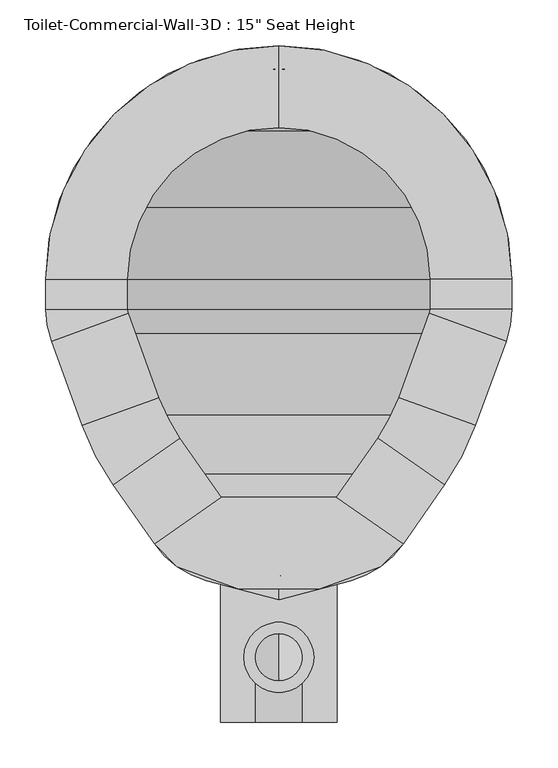
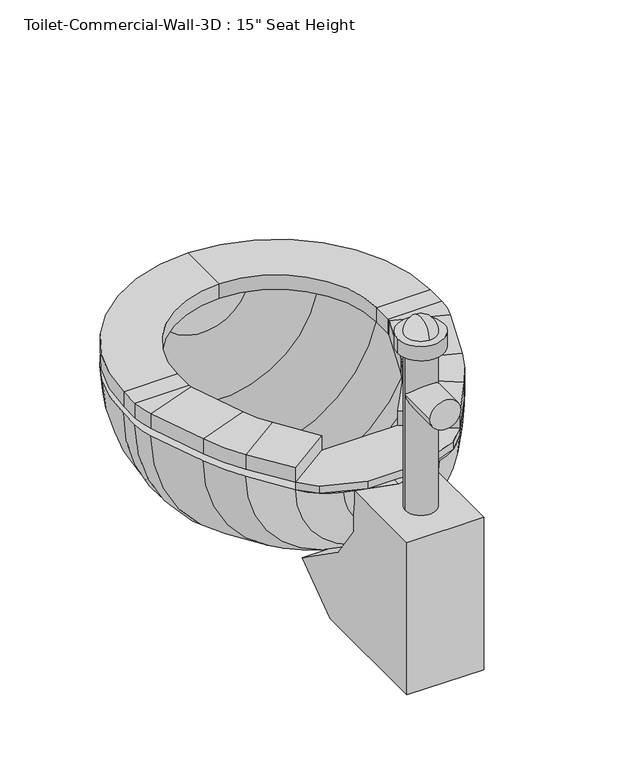
"""IFC4 building model written with IfcOpenShell, lengths in millimetres: flow terminal geometry."""

import ifcopenshell
import ifcopenshell.guid

model = None  # the IFC model being written
_history = None  # IfcOwnerHistory: only IFC2X3 demands one
_inside = {}  # id of a spatial element -> (the spatial element, [elements in it])
_under = {}  # id of a project, library or spatial element -> (it, [spatial elements below it])
_declared = {}  # id of a project -> (the project, [libraries it declares])
_typed = {}  # id of a type object -> (the type object, [elements of that type])
_made_of = {}  # id of a material, layer set ... -> (it, [elements and type objects made of it])


def new_model(schema):
    """Start an empty IFC model of exactly this schema.

    Asked for "IFC4X3", IfcOpenShell would pick the latest addendum, in which some entities
    have other attributes; the version numbers below select the first issue.
    IFC2X3 requires an IfcOwnerHistory on every rooted entity: one is made here for all.
    """
    global model, _history
    if schema == "IFC4X3":
        model = ifcopenshell.file(schema_version=(4, 3, 0, 0))
    else:
        model = ifcopenshell.file(schema=schema)
    _inside.clear()
    _under.clear()
    _declared.clear()
    _typed.clear()
    _made_of.clear()
    _history = None
    if model.schema == "IFC2X3":
        org = make("IfcOrganization", Name="unknown")
        user = make(
            "IfcPersonAndOrganization",
            ThePerson=make("IfcPerson", FamilyName="unknown"),
            TheOrganization=org,
        )
        app = make(
            "IfcApplication",
            ApplicationDeveloper=org,
            Version="unknown",
            ApplicationFullName="unknown",
            ApplicationIdentifier="unknown",
        )
        _history = make(
            "IfcOwnerHistory",
            OwningUser=user,
            OwningApplication=app,
            ChangeAction="ADDED",
            CreationDate=0,
        )
    return model


def make(cls, **values):
    """One entity of the class cls with the attributes given. An attribute that is None is left unset."""
    return model.create_entity(
        cls, **{name: value for name, value in values.items() if value is not None}
    )


def rooted(cls, **values):
    """An entity with a GlobalId (a new one), such as an element, a storey or a relation."""
    return make(cls, GlobalId=ifcopenshell.guid.new(), OwnerHistory=_history, **values)


def si_unit(unit_type, name, prefix=None):
    """IfcSIUnit, for example si_unit("LENGTHUNIT", "METRE", prefix="MILLI")."""
    return make("IfcSIUnit", UnitType=unit_type, Prefix=prefix, Name=name)


def assignment(units):
    """IfcUnitAssignment: the units of a project."""
    return None if units is None else make("IfcUnitAssignment", Units=units)


def point(xyz):
    """IfcCartesianPoint."""
    return None if xyz is None else make("IfcCartesianPoint", Coordinates=xyz)


def direction(xyz):
    """IfcDirection."""
    return None if xyz is None else make("IfcDirection", DirectionRatios=xyz)


def frame(location, z_axis=None, x_axis=None):
    """IfcAxis2Placement3D, a coordinate frame: its origin and axes. An axis left out is left unset."""
    return make(
        "IfcAxis2Placement3D",
        Location=point(location),
        Axis=direction(z_axis),
        RefDirection=direction(x_axis),
    )


def frame_2d(location, x_axis=None):
    """IfcAxis2Placement2D, a coordinate frame in the plane: its origin and x axis."""
    return make(
        "IfcAxis2Placement2D", Location=point(location), RefDirection=direction(x_axis)
    )


def origin():
    """The frame at (0, 0, 0) with its axes left unset."""
    return frame((0.0, 0.0, 0.0))


def place(relative_to, where):
    """IfcLocalPlacement: puts the frame where relative to a parent placement (None: the world)."""
    return make(
        "IfcLocalPlacement", PlacementRelTo=relative_to, RelativePlacement=where
    )


def context(
    kind, dimensions, precision=None, world=None, true_north=None, identifier=None
):
    """IfcGeometricRepresentationContext, for example the 3D "Model" context."""
    return make(
        "IfcGeometricRepresentationContext",
        ContextIdentifier=identifier,
        ContextType=kind,
        CoordinateSpaceDimension=dimensions,
        Precision=precision,
        WorldCoordinateSystem=world,
        TrueNorth=true_north,
    )


def project(units=None, contexts=None):
    """IfcProject with its units and contexts."""
    return rooted(
        "IfcProject",
        Name="project",
        RepresentationContexts=contexts,
        UnitsInContext=assignment(units),
    )


def spatial(cls, under=None, at=None, **own):
    """A site, building, storey or space (cls), placed at a placement, below another one or the project."""
    s = rooted(cls, ObjectPlacement=at, **own)
    if under is not None:
        _under.setdefault(under.id(), (under, []))[1].append(s)
    return s


def polyline(points):
    """IfcPolyline through the points."""
    return make("IfcPolyline", Points=[point(p) for p in points])


def circle_curve(where, radius):
    """IfcCircle in the frame where."""
    return make("IfcCircle", Position=where, Radius=radius)


def ellipse_curve(where, semi_axis1, semi_axis2):
    """IfcEllipse in the frame where."""
    return make(
        "IfcEllipse", Position=where, SemiAxis1=semi_axis1, SemiAxis2=semi_axis2
    )


def trimmed(basis, trim1, trim2, sense, master):
    """IfcTrimmedCurve: the piece of a basis curve between two trims."""
    return make(
        "IfcTrimmedCurve",
        BasisCurve=basis,
        Trim1=trim1,
        Trim2=trim2,
        SenseAgreement=sense,
        MasterRepresentation=master,
    )


def segment(curve, same_sense, transition):
    """IfcCompositeCurveSegment."""
    return make(
        "IfcCompositeCurveSegment",
        Transition=transition,
        SameSense=same_sense,
        ParentCurve=curve,
    )


def composite_curve(segments, self_intersect=None):
    """IfcCompositeCurve: segments joined end to end."""
    return make("IfcCompositeCurve", Segments=segments, SelfIntersect=self_intersect)


def outline(outer, holes=None, kind="AREA"):
    """IfcArbitraryClosedProfileDef: a profile drawn as a closed curve; with holes, ...WithVoids."""
    if holes is None:
        return make("IfcArbitraryClosedProfileDef", ProfileType=kind, OuterCurve=outer)
    return make(
        "IfcArbitraryProfileDefWithVoids",
        ProfileType=kind,
        OuterCurve=outer,
        InnerCurves=holes,
    )


def extrude(swept, where, along, depth):
    """IfcExtrudedAreaSolid: the profile swept, set in the frame where, extruded along a direction by depth."""
    return make(
        "IfcExtrudedAreaSolid",
        SweptArea=swept,
        Position=where,
        ExtrudedDirection=direction(along),
        Depth=depth,
    )


def shape(context_of_items, identifier, shape_type, items):
    """IfcShapeRepresentation: the items that make up one representation, for example the "Body"."""
    return make(
        "IfcShapeRepresentation",
        ContextOfItems=context_of_items,
        RepresentationIdentifier=identifier,
        RepresentationType=shape_type,
        Items=items,
    )


def source(mapping_origin, context_of_items, identifier, shape_type, items):
    """IfcRepresentationMap: a shape defined once, which mapped items show again and again."""
    return make(
        "IfcRepresentationMap",
        MappingOrigin=mapping_origin,
        MappedRepresentation=shape(context_of_items, identifier, shape_type, items),
    )


def transform(
    local_origin,
    x_axis=None,
    y_axis=None,
    z_axis=None,
    scale=None,
    scale2=None,
    scale3=None,
    uniform=True,
):
    """IfcCartesianTransformationOperator3D, or its non-uniform kind. x_axis, y_axis, z_axis: its Axis1, 2, 3."""
    if uniform:
        return make(
            "IfcCartesianTransformationOperator3D",
            Axis1=direction(x_axis),
            Axis2=direction(y_axis),
            LocalOrigin=point(local_origin),
            Scale=scale,
            Axis3=direction(z_axis),
        )
    return make(
        "IfcCartesianTransformationOperator3DnonUniform",
        Axis1=direction(x_axis),
        Axis2=direction(y_axis),
        LocalOrigin=point(local_origin),
        Scale=scale,
        Axis3=direction(z_axis),
        Scale2=scale2,
        Scale3=scale3,
    )


def mapped(mapping_source, mapping_target):
    """IfcMappedItem: shows the shape of a source again, moved by a transform."""
    return make(
        "IfcMappedItem", MappingSource=mapping_source, MappingTarget=mapping_target
    )


def made_of(thing, what):
    """Note that an element or type object is made of a material, layer set ...; save() writes the relation."""
    if what is not None:
        _made_of.setdefault(what.id(), (what, []))[1].append(thing)
    return thing


def element(
    cls,
    number,
    at=None,
    inside=None,
    cuts=None,
    type_object=None,
    material=None,
    context=None,
    identifier="Body",
    shape_type=None,
    held_by="IfcProductDefinitionShape",
    body=None,
    shapes=None,
    **own,
):
    """One element of the class cls, such as IfcWall. Its Tag is "e" and its number.

    at: its placement. inside: the storey or other place that contains it. cuts: it is an
    opening in that element (IfcRelVoidsElement). A single representation is given by context,
    identifier, shape_type and body (its items); several are given by shapes. held_by: the class
    of the entity that holds the representations. save() writes the other relations.
    """
    e = rooted(cls, Tag="e%d" % number, ObjectPlacement=at, **own)
    if body is not None:
        shapes = [shape(context, identifier, shape_type, body)]
    if shapes is not None:
        e.Representation = make(held_by, Representations=shapes)
    if inside is not None:
        _inside.setdefault(inside.id(), (inside, []))[1].append(e)
    if cuts is not None:
        rooted(
            "IfcRelVoidsElement", RelatingBuildingElement=cuts, RelatedOpeningElement=e
        )
    if type_object is not None:
        _typed.setdefault(type_object.id(), (type_object, []))[1].append(e)
    return made_of(e, material)


def aggregate(whole, parts):
    """IfcRelAggregates: a whole, such as a stair, and the parts it consists of."""
    return rooted("IfcRelAggregates", RelatingObject=whole, RelatedObjects=parts)


def save(model, path):
    """Write the relations noted so far, then the file.

    IfcRelAggregates (storeys below a building ...), IfcRelContainedInSpatialStructure (elements
    in a storey), IfcRelDefinesByType, IfcRelAssociatesMaterial and IfcRelDeclares: one each for
    every whole, place, type object, material and project.
    """
    for whole, parts in _under.values():
        aggregate(whole, parts)
    for where, things in _inside.values():
        rooted(
            "IfcRelContainedInSpatialStructure",
            RelatedElements=things,
            RelatingStructure=where,
        )
    for kind, things in _typed.values():
        rooted("IfcRelDefinesByType", RelatedObjects=things, RelatingType=kind)
    for what, things in _made_of.values():
        rooted("IfcRelAssociatesMaterial", RelatedObjects=things, RelatingMaterial=what)
    for by, libraries in _declared.values():
        rooted("IfcRelDeclares", RelatingContext=by, RelatedDefinitions=libraries)
    model.write(path)


def plane_surface(at):
    """IfcPlane: the flat surface through the origin of the frame at, square to its z axis."""
    return make("IfcPlane", Position=at)


def cylinder_surface(at, radius):
    """IfcCylindricalSurface: all points at the distance radius from the z axis of the frame at."""
    return make("IfcCylindricalSurface", Position=at, Radius=radius)


def revolved_surface(curve, axis_point, axis_direction):
    """IfcSurfaceOfRevolution: the curve turned about the line through axis_point along axis_direction."""
    return make(
        "IfcSurfaceOfRevolution",
        SweptCurve=make("IfcArbitraryOpenProfileDef", ProfileType="CURVE", Curve=curve),
        AxisPosition=make("IfcAxis1Placement", Location=point(axis_point), Axis=direction(axis_direction)),
    )


def advanced_brep(points, edges, surfaces, faces):
    """IfcAdvancedBrep: a solid bounded by faces that lie on surfaces and meet in shared edges.

    An edge is (start, end): straight between two places in points (the first is 0);
    or (start, end, curve); or (start, end, curve, False) where it runs against its curve.
    A face is (place in surfaces, loops), or (place, loops, False) where it looks against
    its surface's normal. A loop lists edges by number (the first is 1), with a minus sign
    where the edge is run from its end to its start. The first loop is the outer one.
    """
    corners = [point(p) for p in points]
    vertices = [make("IfcVertexPoint", VertexGeometry=c) for c in corners]
    made = []
    for start, end, *more in edges:
        made.append(
            make(
                "IfcEdgeCurve",
                EdgeStart=vertices[start],
                EdgeEnd=vertices[end],
                EdgeGeometry=more[0] if more else make("IfcPolyline", Points=[corners[start], corners[end]]),
                SameSense=more[1] if len(more) > 1 else True,
            )
        )
    hull = []
    for where, loops, *sense in faces:
        bounds = []
        for j, loop in enumerate(loops):
            ring = [make("IfcOrientedEdge", EdgeElement=made[abs(k) - 1], Orientation=k > 0) for k in loop]
            bounds.append(
                make(
                    "IfcFaceOuterBound" if j == 0 else "IfcFaceBound",
                    Bound=make("IfcEdgeLoop", EdgeList=ring),
                    Orientation=True,
                )
            )
        hull.append(make("IfcAdvancedFace", Bounds=bounds, FaceSurface=surfaces[where], SameSense=sense[0] if sense else True))
    return make("IfcAdvancedBrep", Outer=make("IfcClosedShell", CfsFaces=hull))


def flow_terminal_bd37145e(model_context):
    return source(origin(), model_context, "Body", "SolidModel", [
        extrude(outline(polyline([(467.7541169, 346.6347495), (540.5767337, 295.6438043), (515.6262519, 270.6933226), (449.563909, 246.6485961), (360.2423986, 246.6485961), (294.1800557, 270.6933226), (269.229574, 295.6438043), (342.0521907, 346.6347495), (467.7541169, 346.6347495)])), frame((0.0, 0.0, 342.9), z_axis=(0.0, 0.0, 1.0), x_axis=(1.0, 0.0, 0.0)), (0.0, 0.0, 1.0), 12.7),
        advanced_brep(
        [(467.7541169, 346.6347495, 355.6), (540.5767337, 295.6438043, 355.6), (540.5767337, 295.6438043, 381.0), (467.7541169, 346.6347495, 381.0), (512.8583992, 411.0503403, 355.6), (585.6810159, 360.0593951, 355.6), (585.6810159, 360.0593951, 381.0), (512.8583992, 411.0503403, 381.0), (619.360053, 424.7562234, 355.6), (535.821379, 455.1618141, 355.6), (619.360053, 424.7562234, 381.0), (535.821379, 455.1618141, 381.0), (569.2372501, 546.9711654, 355.6), (652.7759241, 516.5655747, 355.6), (652.7759241, 516.5655747, 381.0), (569.2372501, 546.9711654, 381.0), (658.9031538, 551.3148212, 355.6), (570.0031538, 551.3148212, 355.6), (658.9031538, 551.3148212, 381.0), (570.0031538, 551.3148212, 381.0), (570.0031538, 584.2, 355.6), (658.9031538, 584.2, 355.6), (658.9031538, 584.2, 381.0), (570.0031538, 584.2, 381.0), (404.9031538, 838.2, 355.6), (404.9031538, 749.3, 355.6), (404.9031538, 838.2, 381.0), (404.9031538, 749.3, 381.0), (150.9031538, 584.2, 355.6), (239.8031538, 584.2, 355.6), (150.9031538, 584.2, 381.0), (239.8031538, 584.2, 381.0), (239.8031538, 551.3148212, 355.6), (150.9031538, 551.3148212, 355.6), (150.9031538, 551.3148212, 381.0), (239.8031538, 551.3148212, 381.0), (157.0303835, 516.5655747, 355.6), (240.5690575, 546.9711654, 355.6), (157.0303835, 516.5655747, 381.0), (240.5690575, 546.9711654, 381.0), (273.9849286, 455.1618141, 355.6), (190.4462546, 424.7562234, 355.6), (190.4462546, 424.7562234, 381.0), (273.9849286, 455.1618141, 381.0), (224.1252917, 360.0593951, 355.6), (296.9479084, 411.0503403, 355.6), (224.1252917, 360.0593951, 381.0), (296.9479084, 411.0503403, 381.0), (342.0521907, 346.6347495, 355.6), (342.0521907, 346.6347495, 381.0), (269.229574, 295.6438043, 381.0), (269.229574, 295.6438043, 355.6)],
        [
            (0, 1),
            (1, 2),
            (2, 3),
            (3, 0),
            (0, 4),
            (4, 5),
            (5, 1),
            (5, 6),
            (6, 2),
            (6, 7),
            (7, 3),
            (7, 4),
            (8, 5, circle_curve(frame((356.8099347, 520.3166514, 355.6), z_axis=(0.0, 0.0, -1.0), x_axis=(0.81915204428899, -0.5735764363510486, 0.0)), 279.4)),
            (4, 9, circle_curve(frame((356.8099347, 520.3166514, 355.6), z_axis=(0.0, 0.0, 1.0), x_axis=(0.81915204428899, -0.5735764363510486, 0.0)), 190.5)),
            (9, 8),
            (10, 6, circle_curve(frame((356.8099347, 520.3166514, 381.0), z_axis=(0.0, 0.0, -1.0), x_axis=(0.81915204428899, -0.5735764363510486, 0.0)), 279.4)),
            (8, 10),
            (11, 7, circle_curve(frame((356.8099347, 520.3166514, 381.0), z_axis=(0.0, 0.0, -1.0), x_axis=(0.81915204428899, -0.5735764363510486, 0.0)), 190.5)),
            (10, 11),
            (11, 9),
            (9, 12),
            (12, 13),
            (13, 8),
            (13, 14),
            (14, 10),
            (14, 15),
            (15, 11),
            (15, 12),
            (16, 13, circle_curve(frame((557.3031538, 551.3148212, 355.6), z_axis=(0.0, 0.0, -1.0), x_axis=(0.939692620785906, -0.34202014332567526, 0.0)), 101.6)),
            (12, 17, circle_curve(frame((557.3031538, 551.3148212, 355.6), z_axis=(0.0, 0.0, 1.0), x_axis=(0.939692620785906, -0.34202014332567526, 0.0)), 12.7)),
            (17, 16),
            (18, 14, circle_curve(frame((557.3031538, 551.3148212, 381.0), z_axis=(0.0, 0.0, -1.0), x_axis=(0.939692620785906, -0.34202014332567526, 0.0)), 101.6)),
            (16, 18),
            (19, 15, circle_curve(frame((557.3031538, 551.3148212, 381.0), z_axis=(0.0, 0.0, -1.0), x_axis=(0.939692620785906, -0.34202014332567526, 0.0)), 12.7)),
            (18, 19),
            (19, 17),
            (17, 20),
            (20, 21),
            (21, 16),
            (21, 22),
            (22, 18),
            (22, 23),
            (23, 19),
            (23, 20),
            (24, 21, circle_curve(frame((404.9031538, 584.2, 355.6), z_axis=(0.0, 0.0, -1.0), x_axis=(1.0, 0.0, 0.0)), 254.0)),
            (20, 25, circle_curve(frame((404.9031538, 584.2, 355.6), z_axis=(0.0, 0.0, 1.0), x_axis=(1.0, 0.0, 0.0)), 165.1)),
            (25, 24),
            (26, 22, circle_curve(frame((404.9031538, 584.2, 381.0), z_axis=(0.0, 0.0, -1.0), x_axis=(1.0, 0.0, 0.0)), 254.0)),
            (24, 26),
            (27, 23, circle_curve(frame((404.9031538, 584.2, 381.0), z_axis=(0.0, 0.0, -1.0), x_axis=(1.0, 0.0, 0.0)), 165.1)),
            (26, 27),
            (27, 25),
            (28, 24, circle_curve(frame((404.9031538, 584.2, 355.6), z_axis=(0.0, 0.0, -1.0), x_axis=(0.0, 1.0, 0.0)), 254.0)),
            (25, 29, circle_curve(frame((404.9031538, 584.2, 355.6), z_axis=(0.0, 0.0, 1.0), x_axis=(0.0, 1.0, 0.0)), 165.1)),
            (29, 28),
            (30, 26, circle_curve(frame((404.9031538, 584.2, 381.0), z_axis=(0.0, 0.0, -1.0), x_axis=(0.0, 1.0, 0.0)), 254.0)),
            (28, 30),
            (31, 27, circle_curve(frame((404.9031538, 584.2, 381.0), z_axis=(0.0, 0.0, -1.0), x_axis=(0.0, 1.0, 0.0)), 165.1)),
            (30, 31),
            (31, 29),
            (29, 32),
            (32, 33),
            (33, 28),
            (33, 34),
            (34, 30),
            (34, 35),
            (35, 31),
            (35, 32),
            (36, 33, circle_curve(frame((252.5031538, 551.3148212, 355.6), z_axis=(0.0, 0.0, -1.0), x_axis=(-1.0, 0.0, 0.0)), 101.6)),
            (32, 37, circle_curve(frame((252.5031538, 551.3148212, 355.6), z_axis=(0.0, 0.0, 1.0), x_axis=(-1.0, 0.0, 0.0)), 12.7)),
            (37, 36),
            (38, 34, circle_curve(frame((252.5031538, 551.3148212, 381.0), z_axis=(0.0, 0.0, -1.0), x_axis=(-1.0, 0.0, 0.0)), 101.6)),
            (36, 38),
            (39, 35, circle_curve(frame((252.5031538, 551.3148212, 381.0), z_axis=(0.0, 0.0, -1.0), x_axis=(-1.0, 0.0, 0.0)), 12.7)),
            (38, 39),
            (39, 37),
            (37, 40),
            (40, 41),
            (41, 36),
            (41, 42),
            (42, 38),
            (42, 43),
            (43, 39),
            (43, 40),
            (44, 41, circle_curve(frame((452.9963729, 520.3166514, 355.6), z_axis=(0.0, 0.0, -1.0), x_axis=(-0.9396926207859088, -0.34202014332566766, 0.0)), 279.4)),
            (40, 45, circle_curve(frame((452.9963729, 520.3166514, 355.6), z_axis=(0.0, 0.0, 1.0), x_axis=(-0.9396926207859088, -0.34202014332566766, 0.0)), 190.5)),
            (45, 44),
            (46, 42, circle_curve(frame((452.9963729, 520.3166514, 381.0), z_axis=(0.0, 0.0, -1.0), x_axis=(-0.9396926207859088, -0.34202014332566766, 0.0)), 279.4)),
            (44, 46),
            (47, 43, circle_curve(frame((452.9963729, 520.3166514, 381.0), z_axis=(0.0, 0.0, -1.0), x_axis=(-0.9396926207859088, -0.34202014332566766, 0.0)), 190.5)),
            (46, 47),
            (47, 45),
            (48, 49),
            (49, 50),
            (50, 51),
            (51, 48),
            (45, 48),
            (51, 44),
            (50, 46),
            (49, 47),
        ],
        [
            plane_surface(frame((540.5767337, 295.6438043, 439.6203184), z_axis=(-0.5735764363510379, -0.8191520442889975, 0.0), x_axis=(0.8191520442889975, -0.5735764363510379, 0.0))),
            plane_surface(frame((467.7541169, 346.6347495, 355.6), z_axis=(0.0, 0.0, -1.0), x_axis=(0.5735764363510375, 0.8191520442889978, 0.0))),
            plane_surface(frame((540.5767337, 295.6438043, 355.6), z_axis=(0.8191520442889973, -0.5735764363510383, 0.0), x_axis=(0.5735764363510383, 0.8191520442889973, 0.0))),
            plane_surface(frame((540.5767337, 295.6438043, 381.0), z_axis=(0.0, 0.0, 1.0), x_axis=(0.573576436351038, 0.8191520442889975, 0.0))),
            plane_surface(frame((467.7541169, 346.6347495, 381.0), z_axis=(-0.8191520442889981, 0.5735764363510371, 0.0), x_axis=(0.5735764363510371, 0.8191520442889981, 0.0))),
            plane_surface(frame((356.8099347, 520.3166514, 355.6), z_axis=(0.0, 0.0, -1.0), x_axis=(0.81915204428899, -0.5735764363510486, 0.0))),
            cylinder_surface(frame((356.8099347, 520.3166514, 342.9), z_axis=(0.0, 0.0, 1.0), x_axis=(0.81915204428899, -0.5735764363510486, 0.0)), 279.4),
            plane_surface(frame((356.8099347, 520.3166514, 381.0), z_axis=(0.0, 0.0, 1.0), x_axis=(0.81915204428899, -0.5735764363510486, 0.0))),
            revolved_surface(polyline([(512.8583991370526, 411.0503402751252, 381.0), (512.8583991370526, 411.0503402751252, 355.6)]), (356.8099347, 520.3166514, 342.9), (0.0, 0.0, 1.0)),
            plane_surface(frame((535.821379, 455.1618141, 355.6), z_axis=(0.0, 0.0, -1.0), x_axis=(0.3420201433256632, 0.9396926207859104, 0.0))),
            plane_surface(frame((619.360053, 424.7562234, 355.6), z_axis=(0.9396926207859108, -0.34202014332566233, 0.0), x_axis=(0.34202014332566233, 0.9396926207859108, 0.0))),
            plane_surface(frame((619.360053, 424.7562234, 381.0), z_axis=(0.0, 0.0, 1.0), x_axis=(0.3420201433256635, 0.9396926207859103, 0.0))),
            plane_surface(frame((535.821379, 455.1618141, 381.0), z_axis=(-0.9396926207859103, 0.3420201433256636, 0.0), x_axis=(0.3420201433256636, 0.9396926207859103, 0.0))),
            plane_surface(frame((557.3031538, 551.3148212, 355.6), z_axis=(0.0, 0.0, -1.0), x_axis=(0.939692620785906, -0.34202014332567526, 0.0))),
            cylinder_surface(frame((557.3031538, 551.3148212, 342.9), z_axis=(0.0, 0.0, 1.0), x_axis=(0.939692620785906, -0.34202014332567526, 0.0)), 101.6),
            plane_surface(frame((557.3031538, 551.3148212, 381.0), z_axis=(0.0, 0.0, 1.0), x_axis=(0.939692620785906, -0.34202014332567526, 0.0))),
            revolved_surface(polyline([(569.237250083981, 546.9711653797639, 381.0), (569.237250083981, 546.9711653797639, 355.6)]), (557.3031538, 551.3148212, 342.9), (0.0, 0.0, 1.0)),
            plane_surface(frame((570.0031538, 551.3148212, 355.6), z_axis=(0.0, 0.0, -1.0), x_axis=(0.0, 1.0, 0.0))),
            plane_surface(frame((658.9031538, 551.3148212, 355.6), z_axis=(1.0, 0.0, 0.0), x_axis=(0.0, 1.0, 0.0))),
            plane_surface(frame((658.9031538, 551.3148212, 381.0), z_axis=(0.0, 0.0, 1.0), x_axis=(0.0, 1.0, 0.0))),
            plane_surface(frame((570.0031538, 551.3148212, 381.0), z_axis=(-1.0, 0.0, 0.0), x_axis=(0.0, 1.0, 0.0))),
            plane_surface(frame((404.9031538, 584.2, 355.6), z_axis=(0.0, 0.0, -1.0), x_axis=(1.0, 0.0, 0.0))),
            cylinder_surface(frame((404.9031538, 584.2, 342.9), z_axis=(0.0, 0.0, 1.0), x_axis=(1.0, 0.0, 0.0)), 254.0),
            plane_surface(frame((404.9031538, 584.2, 381.0), z_axis=(0.0, 0.0, 1.0), x_axis=(1.0, 0.0, 0.0))),
            revolved_surface(polyline([(570.0031538, 584.2, 381.0), (570.0031538, 584.2, 355.6)]), (404.9031538, 584.2, 342.9), (0.0, 0.0, 1.0)),
            plane_surface(frame((404.9031538, 584.2, 355.6), z_axis=(0.0, 0.0, -1.0), x_axis=(0.0, 1.0, 0.0))),
            cylinder_surface(frame((404.9031538, 584.2, 342.9), z_axis=(0.0, 0.0, 1.0), x_axis=(0.0, 1.0, 0.0)), 254.0),
            plane_surface(frame((404.9031538, 584.2, 381.0), z_axis=(0.0, 0.0, 1.0), x_axis=(0.0, 1.0, 0.0))),
            revolved_surface(polyline([(404.9031538, 749.3000000000001, 381.0), (404.9031538, 749.3000000000001, 355.6)]), (404.9031538, 584.2, 342.9), (0.0, 0.0, 1.0)),
            plane_surface(frame((239.8031538, 584.2, 355.6), z_axis=(0.0, 0.0, -1.0), x_axis=(0.0, -1.0, 0.0))),
            plane_surface(frame((150.9031538, 584.2, 355.6), z_axis=(-1.0, 0.0, 0.0), x_axis=(0.0, -1.0, 0.0))),
            plane_surface(frame((150.9031538, 584.2, 381.0), z_axis=(0.0, 0.0, 1.0), x_axis=(0.0, -1.0, 0.0))),
            plane_surface(frame((239.8031538, 584.2, 381.0), z_axis=(1.0, 0.0, 0.0), x_axis=(0.0, -1.0, 0.0))),
            plane_surface(frame((252.5031538, 551.3148212, 355.6), z_axis=(0.0, 0.0, -1.0), x_axis=(-1.0, 0.0, 0.0))),
            cylinder_surface(frame((252.5031538, 551.3148212, 342.9), z_axis=(0.0, 0.0, 1.0), x_axis=(-1.0, 0.0, 0.0)), 101.6),
            plane_surface(frame((252.5031538, 551.3148212, 381.0), z_axis=(0.0, 0.0, 1.0), x_axis=(-1.0, 0.0, 0.0))),
            revolved_surface(polyline([(239.80315380000002, 551.3148212, 381.0), (239.80315380000002, 551.3148212, 355.6)]), (252.5031538, 551.3148212, 342.9), (0.0, 0.0, 1.0)),
            plane_surface(frame((240.5690575, 546.9711654, 355.6), z_axis=(0.0, 0.0, -1.0), x_axis=(0.3420201433256559, -0.9396926207859131, 0.0))),
            plane_surface(frame((157.0303835, 516.5655747, 355.6), z_axis=(-0.9396926207859132, -0.34202014332565567, 0.0), x_axis=(0.34202014332565567, -0.9396926207859132, 0.0))),
            plane_surface(frame((157.0303835, 516.5655747, 381.0), z_axis=(0.0, 0.0, 1.0), x_axis=(0.34202014332565556, -0.9396926207859132, 0.0))),
            plane_surface(frame((240.5690575, 546.9711654, 381.0), z_axis=(0.9396926207859131, 0.34202014332565583, 0.0), x_axis=(0.34202014332565583, -0.9396926207859131, 0.0))),
            plane_surface(frame((452.9963729, 520.3166514, 355.6), z_axis=(0.0, 0.0, -1.0), x_axis=(-0.9396926207859088, -0.34202014332566766, 0.0))),
            cylinder_surface(frame((452.9963729, 520.3166514, 342.9), z_axis=(0.0, 0.0, 1.0), x_axis=(-0.9396926207859088, -0.34202014332566766, 0.0)), 279.4),
            plane_surface(frame((452.9963729, 520.3166514, 381.0), z_axis=(0.0, 0.0, 1.0), x_axis=(-0.9396926207859088, -0.34202014332566766, 0.0))),
            revolved_surface(polyline([(273.98492864028435, 455.16181409646026, 381.0), (273.98492864028435, 455.16181409646026, 355.6)]), (452.9963729, 520.3166514, 342.9), (0.0, 0.0, 1.0)),
            plane_surface(frame((269.229574, 295.6438043, 246.1796816), z_axis=(0.5735764363510504, -0.8191520442889889, 0.0), x_axis=(0.8191520442889889, 0.5735764363510504, 0.0))),
            plane_surface(frame((296.9479084, 411.0503403, 355.6), z_axis=(0.0, 0.0, -1.0000000000000002), x_axis=(0.5735764363510502, -0.819152044288989, 0.0))),
            plane_surface(frame((224.1252917, 360.0593951, 355.6), z_axis=(-0.819152044288989, -0.5735764363510502, 0.0), x_axis=(0.5735764363510502, -0.819152044288989, 0.0))),
            plane_surface(frame((224.1252917, 360.0593951, 381.0), z_axis=(0.0, 0.0, 1.0), x_axis=(0.5735764363510496, -0.8191520442889894, 0.0))),
            plane_surface(frame((296.9479084, 411.0503403, 381.0), z_axis=(0.8191520442889881, 0.5735764363510514, 0.0), x_axis=(0.5735764363510514, -0.8191520442889881, 0.0))),
        ],
        [
            (0, [[1, 2, 3, 4]]),
            (1, [[-1, 5, 6, 7]]),
            (2, [[-2, -7, 8, 9]]),
            (3, [[-3, -9, 10, 11]]),
            (4, [[-4, -11, 12, -5]]),
            (5, [[13, -6, 14, 15]]),
            (6, [[16, -8, -13, 17]]),
            (7, [[18, -10, -16, 19]]),
            (8, [[-14, -12, -18, 20]]),
            (9, [[-15, 21, 22, 23]]),
            (10, [[-17, -23, 24, 25]]),
            (11, [[-19, -25, 26, 27]]),
            (12, [[-20, -27, 28, -21]]),
            (13, [[29, -22, 30, 31]]),
            (14, [[32, -24, -29, 33]]),
            (15, [[34, -26, -32, 35]]),
            (16, [[-30, -28, -34, 36]]),
            (17, [[-31, 37, 38, 39]]),
            (18, [[-33, -39, 40, 41]]),
            (19, [[-35, -41, 42, 43]]),
            (20, [[-36, -43, 44, -37]]),
            (21, [[45, -38, 46, 47]]),
            (22, [[48, -40, -45, 49]]),
            (23, [[50, -42, -48, 51]]),
            (24, [[-46, -44, -50, 52]]),
            (25, [[53, -47, 54, 55]]),
            (26, [[56, -49, -53, 57]]),
            (27, [[58, -51, -56, 59]]),
            (28, [[-54, -52, -58, 60]]),
            (29, [[-55, 61, 62, 63]]),
            (30, [[-57, -63, 64, 65]]),
            (31, [[-59, -65, 66, 67]]),
            (32, [[-60, -67, 68, -61]]),
            (33, [[69, -62, 70, 71]]),
            (34, [[72, -64, -69, 73]]),
            (35, [[74, -66, -72, 75]]),
            (36, [[-70, -68, -74, 76]]),
            (37, [[-71, 77, 78, 79]]),
            (38, [[-73, -79, 80, 81]]),
            (39, [[-75, -81, 82, 83]]),
            (40, [[-76, -83, 84, -77]]),
            (41, [[85, -78, 86, 87]]),
            (42, [[88, -80, -85, 89]]),
            (43, [[90, -82, -88, 91]]),
            (44, [[-86, -84, -90, 92]]),
            (45, [[93, 94, 95, 96]]),
            (46, [[-87, 97, -96, 98]]),
            (47, [[-89, -98, -95, 99]]),
            (48, [[-91, -99, -94, 100]]),
            (49, [[-92, -100, -93, -97]]),
        ],
    ),
        advanced_brep(
        [(491.7762702, 822.8819257, 342.9), (404.9031538, 838.2, 342.9), (404.9031538, 812.8, 342.9), (483.0889586, 799.0137331, 342.9), (566.547764, 745.8446102, 342.9), (619.7168869, 662.3858048, 342.9), (633.5031538, 584.2, 342.9), (633.5031538, 551.3148212, 342.9), (628.9077315, 525.2528863, 342.9), (596.6355667, 436.5858422, 342.9), (562.9565296, 371.8890139, 342.9), (525.0728964, 317.7855786, 342.9), (468.1430637, 277.9228806, 342.9), (404.9031538, 260.9777978, 342.9), (404.9031538, 234.6817829, 342.9), (483.6469009, 255.7811063, 342.9), (540.5767337, 295.6438043, 342.9), (585.6810159, 360.0593951, 342.9), (619.360053, 424.7562234, 342.9), (652.7759241, 516.5655747, 342.9), (658.9031538, 551.3148212, 342.9), (658.9031538, 584.2, 342.9), (643.5850795, 671.0731164, 342.9), (584.5082762, 763.8051224, 342.9), (318.0300374, 822.8819257, 342.9), (225.2980314, 763.8051224, 342.9), (166.2212281, 671.0731164, 342.9), (150.9031538, 584.2, 342.9), (150.9031538, 551.3148212, 342.9), (157.0303835, 516.5655747, 342.9), (190.4462546, 424.7562234, 342.9), (224.1252917, 360.0593951, 342.9), (269.229574, 295.6438043, 342.9), (326.1594067, 255.7811063, 342.9), (341.663244, 277.9228806, 342.9), (284.7334112, 317.7855786, 342.9), (246.849778, 371.8890139, 342.9), (213.1707409, 436.5858422, 342.9), (180.8985761, 525.2528863, 342.9), (176.3031538, 551.3148212, 342.9), (176.3031538, 584.2, 342.9), (190.0894207, 662.3858048, 342.9), (243.2585436, 745.8446102, 342.9), (326.7173491, 799.0137331, 342.9)],
        [
            (0, 1, circle_curve(frame((404.9031538, 584.2, 342.9), z_axis=(0.0, 0.0, 1.0), x_axis=(1.0, 0.0, 0.0)), 254.0)),
            (1, 2),
            (2, 3, circle_curve(frame((404.9031538, 584.2, 342.9), z_axis=(0.0, 0.0, -1.0), x_axis=(1.0, 0.0, 0.0)), 228.6)),
            (3, 4, circle_curve(frame((404.9031538, 584.2, 342.9), z_axis=(0.0, 0.0, -1.0), x_axis=(1.0, 0.0, 0.0)), 228.6)),
            (4, 5, circle_curve(frame((404.9031538, 584.2, 342.9), z_axis=(0.0, 0.0, -1.0), x_axis=(1.0, 0.0, 0.0)), 228.6)),
            (5, 6, circle_curve(frame((404.9031538, 584.2, 342.9), z_axis=(0.0, 0.0, -1.0), x_axis=(1.0, 0.0, 0.0)), 228.6)),
            (6, 7),
            (7, 8, circle_curve(frame((557.3031538, 551.3148212, 342.9), z_axis=(0.0, 0.0, -1.0), x_axis=(1.0, 0.0, 0.0)), 76.2)),
            (8, 9),
            (9, 10, circle_curve(frame((334.0854485, 532.1462703, 342.9), z_axis=(0.0, 0.0, -1.0), x_axis=(1.0, 0.0, 0.0)), 279.4)),
            (10, 11),
            (11, 12, circle_curve(frame((441.8470487, 376.0609446, 342.9), z_axis=(0.0, 0.0, -1.0), x_axis=(1.0, 0.0, 0.0)), 101.6)),
            (12, 13),
            (13, 14),
            (14, 15),
            (15, 16, circle_curve(frame((457.350886, 353.9191703, 342.9), z_axis=(0.0, 0.0, 1.0), x_axis=(1.0, 0.0, 0.0)), 101.6)),
            (16, 17),
            (17, 18, circle_curve(frame((356.8099347, 520.3166514, 342.9), z_axis=(0.0, 0.0, 1.0), x_axis=(1.0, 0.0, 0.0)), 279.4)),
            (18, 19),
            (19, 20, circle_curve(frame((557.3031538, 551.3148212, 342.9), z_axis=(0.0, 0.0, 1.0), x_axis=(1.0, 0.0, 0.0)), 101.6)),
            (20, 21),
            (21, 22, circle_curve(frame((404.9031538, 584.2, 342.9), z_axis=(0.0, 0.0, 1.0), x_axis=(1.0, 0.0, 0.0)), 254.0)),
            (22, 23, circle_curve(frame((404.9031538, 584.2, 342.9), z_axis=(0.0, 0.0, 1.0), x_axis=(1.0, 0.0, 0.0)), 254.0)),
            (23, 0, circle_curve(frame((404.9031538, 584.2, 342.9), z_axis=(0.0, 0.0, 1.0), x_axis=(1.0, 0.0, 0.0)), 254.0)),
            (24, 25, circle_curve(frame((404.9031538, 584.2, 342.9), z_axis=(0.0, 0.0, 1.0), x_axis=(-1.0, 0.0, 0.0)), 254.0)),
            (25, 26, circle_curve(frame((404.9031538, 584.2, 342.9), z_axis=(0.0, 0.0, 1.0), x_axis=(-1.0, 0.0, 0.0)), 254.0)),
            (26, 27, circle_curve(frame((404.9031538, 584.2, 342.9), z_axis=(0.0, 0.0, 1.0), x_axis=(-1.0, 0.0, 0.0)), 254.0)),
            (27, 28),
            (28, 29, circle_curve(frame((252.5031538, 551.3148212, 342.9), z_axis=(0.0, 0.0, 1.0), x_axis=(-1.0, 0.0, 0.0)), 101.6)),
            (29, 30),
            (30, 31, circle_curve(frame((452.9963729, 520.3166514, 342.9), z_axis=(0.0, 0.0, 1.0), x_axis=(-1.0, 0.0, 0.0)), 279.4)),
            (31, 32),
            (32, 33, circle_curve(frame((352.4554217, 353.9191703, 342.9), z_axis=(0.0, 0.0, 1.0), x_axis=(-1.0, 0.0, 0.0)), 101.6)),
            (33, 14),
            (13, 34),
            (34, 35, circle_curve(frame((367.9592589, 376.0609446, 342.9), z_axis=(0.0, 0.0, -1.0), x_axis=(-1.0, 0.0, 0.0)), 101.6)),
            (35, 36),
            (36, 37, circle_curve(frame((475.7208592, 532.1462703, 342.9), z_axis=(0.0, 0.0, -1.0), x_axis=(-1.0, 0.0, 0.0)), 279.4)),
            (37, 38),
            (38, 39, circle_curve(frame((252.5031538, 551.3148212, 342.9), z_axis=(0.0, 0.0, -1.0), x_axis=(-1.0, 0.0, 0.0)), 76.2)),
            (39, 40),
            (40, 41, circle_curve(frame((404.9031538, 584.2, 342.9), z_axis=(0.0, 0.0, -1.0), x_axis=(-1.0, 0.0, 0.0)), 228.6)),
            (41, 42, circle_curve(frame((404.9031538, 584.2, 342.9), z_axis=(0.0, 0.0, -1.0), x_axis=(-1.0, 0.0, 0.0)), 228.6)),
            (42, 43, circle_curve(frame((404.9031538, 584.2, 342.9), z_axis=(0.0, 0.0, -1.0), x_axis=(-1.0, 0.0, 0.0)), 228.6)),
            (43, 2, circle_curve(frame((404.9031538, 584.2, 342.9), z_axis=(0.0, 0.0, -1.0), x_axis=(-1.0, 0.0, 0.0)), 228.6)),
            (1, 24, circle_curve(frame((404.9031538, 584.2, 342.9), z_axis=(0.0, 0.0, 1.0), x_axis=(-1.0, 0.0, 0.0)), 254.0)),
            (0, 24, circle_curve(frame((404.9031538, 822.8819257, 342.9), z_axis=(0.0, 1.0, 0.0), x_axis=(1.0, 0.0, 0.0)), 86.8731164)),
            (43, 3, circle_curve(frame((404.9031538, 799.0137331, 342.9), z_axis=(0.0, -1.0, 0.0), x_axis=(1.0, 0.0, 0.0)), 78.1858048)),
            (42, 4, circle_curve(frame((404.9031538, 745.8446102, 342.9), z_axis=(0.0, -1.0, 0.0), x_axis=(1.0, 0.0, 0.0)), 161.6446102)),
            (41, 5, circle_curve(frame((404.9031538, 662.3858048, 342.9), z_axis=(0.0, -1.0, 0.0), x_axis=(1.0, 0.0, 0.0)), 214.8137331)),
            (40, 6, circle_curve(frame((404.9031538, 584.2, 342.9), z_axis=(0.0, -1.0, 0.0), x_axis=(1.0, 0.0, 0.0)), 228.6)),
            (39, 7, circle_curve(frame((404.9031538, 551.3148212, 342.9), z_axis=(0.0, -1.0, 0.0), x_axis=(1.0, 0.0, 0.0)), 228.6)),
            (38, 8, circle_curve(frame((404.9031538, 525.2528863, 342.9), z_axis=(0.0, -1.0, 0.0), x_axis=(1.0, 0.0, 0.0)), 224.0045777)),
            (37, 9, circle_curve(frame((404.9031538, 436.5858422, 342.9), z_axis=(0.0, -1.0, 0.0), x_axis=(1.0, 0.0, 0.0)), 191.7324129)),
            (36, 10, circle_curve(frame((404.9031538, 371.8890139, 342.9), z_axis=(0.0, -1.0, 0.0), x_axis=(1.0, 0.0, 0.0)), 158.0533758)),
            (35, 11, circle_curve(frame((404.9031538, 317.7855786, 342.9), z_axis=(0.0, -1.0, 0.0), x_axis=(1.0, 0.0, 0.0)), 120.1697426)),
            (34, 12, circle_curve(frame((404.9031538, 277.9228806, 342.9), z_axis=(0.0, -1.0, 0.0), x_axis=(1.0, 0.0, 0.0)), 63.2399099)),
            (33, 15, circle_curve(frame((404.9031538, 255.7811063, 342.9), z_axis=(0.0, -1.0, 0.0), x_axis=(1.0, 0.0, 0.0)), 78.7437471)),
            (32, 16, circle_curve(frame((404.9031538, 295.6438043, 342.9), z_axis=(0.0, -1.0, 0.0), x_axis=(1.0, 0.0, 0.0)), 135.6735798)),
            (31, 17, circle_curve(frame((404.9031538, 360.0593951, 342.9), z_axis=(0.0, -1.0, 0.0), x_axis=(1.0, 0.0, 0.0)), 180.7778621)),
            (30, 18, circle_curve(frame((404.9031538, 424.7562234, 342.9), z_axis=(0.0, -1.0, 0.0), x_axis=(1.0, 0.0, 0.0)), 214.4568992)),
            (29, 19, circle_curve(frame((404.9031538, 516.5655747, 342.9), z_axis=(0.0, -1.0, 0.0), x_axis=(1.0, 0.0, 0.0)), 247.8727703)),
            (28, 20, circle_curve(frame((404.9031538, 551.3148212, 342.9), z_axis=(0.0, -1.0, 0.0), x_axis=(1.0, 0.0, 0.0)), 254.0)),
            (27, 21, circle_curve(frame((404.9031538, 584.2, 342.9), z_axis=(0.0, -1.0, 0.0), x_axis=(1.0, 0.0, 0.0)), 254.0)),
            (26, 22, circle_curve(frame((404.9031538, 671.0731164, 342.9), z_axis=(0.0, -1.0, 0.0), x_axis=(1.0, 0.0, 0.0)), 238.6819257)),
            (25, 23, circle_curve(frame((404.9031538, 763.8051224, 342.9), z_axis=(0.0, -1.0, 0.0), x_axis=(1.0, 0.0, 0.0)), 179.6051224)),
        ],
        [
            plane_surface(frame((404.9031538, 943.4102448, 342.9), z_axis=(0.0, 0.0, 1.0), x_axis=(1.0, 0.0, 0.0))),
            plane_surface(frame((404.9031538, 943.4102448, 342.9), z_axis=(0.0, 0.0, 1.0), x_axis=(-1.0, 0.0, 0.0))),
            revolved_surface(trimmed(ellipse_curve(frame((404.9031538, 584.2, 342.9), z_axis=(0.0, 0.0, 1.0), x_axis=(1.0, 0.0, 0.0)), 254.0, 254.0), [point((491.7762702, 822.8819257, 342.9))], [point((404.9031538, 838.2, 342.9))], True, "CARTESIAN"), (404.9031538, 943.4102448, 342.9), (0.0, 1.0, 0.0)),
            revolved_surface(trimmed(ellipse_curve(frame((404.9031538, 584.2, 342.9), z_axis=(0.0, 0.0, -1.0), x_axis=(1.0, 0.0, 0.0)), 228.6, 228.6), [point((404.9031538, 812.8, 342.9))], [point((483.0889586, 799.0137331, 342.9))], True, "CARTESIAN"), (404.9031538, 943.4102448, 342.9), (0.0, 1.0, 0.0)),
            revolved_surface(trimmed(ellipse_curve(frame((404.9031538, 584.2, 342.9), z_axis=(0.0, 0.0, -1.0), x_axis=(1.0, 0.0, 0.0)), 228.6, 228.6), [point((483.0889586, 799.0137331, 342.9))], [point((566.547764, 745.8446102, 342.9))], True, "CARTESIAN"), (404.9031538, 943.4102448, 342.9), (0.0, 1.0, 0.0)),
            revolved_surface(trimmed(ellipse_curve(frame((404.9031538, 584.2, 342.9), z_axis=(0.0, 0.0, -1.0), x_axis=(1.0, 0.0, 0.0)), 228.6, 228.6), [point((566.547764, 745.8446102, 342.9))], [point((619.7168869, 662.3858048, 342.9))], True, "CARTESIAN"), (404.9031538, 943.4102448, 342.9), (0.0, 1.0, 0.0)),
            revolved_surface(trimmed(ellipse_curve(frame((404.9031538, 584.2, 342.9), z_axis=(0.0, 0.0, -1.0), x_axis=(1.0, 0.0, 0.0)), 228.6, 228.6), [point((619.7168869, 662.3858048, 342.9))], [point((633.5031538, 584.2, 342.9))], True, "CARTESIAN"), (404.9031538, 943.4102448, 342.9), (0.0, 1.0, 0.0)),
            revolved_surface(polyline([(633.5031538, 584.2, 342.9), (633.5031538, 551.3148212, 342.9)]), (404.9031538, 943.4102448, 342.9), (0.0, 1.0, 0.0)),
            revolved_surface(trimmed(ellipse_curve(frame((557.3031538, 551.3148212, 342.9), z_axis=(0.0, 0.0, -1.0), x_axis=(1.0, 0.0, 0.0)), 76.2, 76.2), [point((633.5031538, 551.3148212, 342.9))], [point((628.9077315, 525.2528863, 342.9))], True, "CARTESIAN"), (404.9031538, 943.4102448, 342.9), (0.0, 1.0, 0.0)),
            revolved_surface(polyline([(628.9077315, 525.2528863, 342.9), (596.6355667, 436.5858422, 342.9)]), (404.9031538, 943.4102448, 342.9), (0.0, 1.0, 0.0)),
            revolved_surface(trimmed(ellipse_curve(frame((334.0854485, 532.1462703, 342.9), z_axis=(0.0, 0.0, -1.0), x_axis=(1.0, 0.0, 0.0)), 279.4, 279.4), [point((596.6355667, 436.5858422, 342.9))], [point((562.9565296, 371.8890139, 342.9))], True, "CARTESIAN"), (404.9031538, 943.4102448, 342.9), (0.0, 1.0, 0.0)),
            revolved_surface(polyline([(562.9565296, 371.8890139, 342.9), (525.0728964, 317.7855786, 342.9)]), (404.9031538, 943.4102448, 342.9), (0.0, 1.0, 0.0)),
            revolved_surface(trimmed(ellipse_curve(frame((441.8470487, 376.0609446, 342.9), z_axis=(0.0, 0.0, -1.0), x_axis=(1.0, 0.0, 0.0)), 101.6, 101.6), [point((525.0728964, 317.7855786, 342.9))], [point((468.1430637, 277.9228806, 342.9))], True, "CARTESIAN"), (404.9031538, 943.4102448, 342.9), (0.0, 1.0, 0.0)),
            revolved_surface(polyline([(468.1430637, 277.9228806, 342.9), (404.9031538, 260.9777978, 342.9)]), (404.9031538, 943.4102448, 342.9), (0.0, 1.0, 0.0)),
            revolved_surface(polyline([(404.9031538, 234.6817829, 342.9), (483.6469009, 255.7811063, 342.9)]), (404.9031538, 943.4102448, 342.9), (0.0, 1.0, 0.0)),
            revolved_surface(trimmed(ellipse_curve(frame((457.350886, 353.9191703, 342.9), z_axis=(0.0, 0.0, 1.0), x_axis=(1.0, 0.0, 0.0)), 101.6, 101.6), [point((483.6469009, 255.7811063, 342.9))], [point((540.5767337, 295.6438043, 342.9))], True, "CARTESIAN"), (404.9031538, 943.4102448, 342.9), (0.0, 1.0, 0.0)),
            revolved_surface(polyline([(540.5767337, 295.6438043, 342.9), (585.6810159, 360.0593951, 342.9)]), (404.9031538, 943.4102448, 342.9), (0.0, 1.0, 0.0)),
            revolved_surface(trimmed(ellipse_curve(frame((356.8099347, 520.3166514, 342.9), z_axis=(0.0, 0.0, 1.0), x_axis=(1.0, 0.0, 0.0)), 279.4, 279.4), [point((585.6810159, 360.0593951, 342.9))], [point((619.360053, 424.7562234, 342.9))], True, "CARTESIAN"), (404.9031538, 943.4102448, 342.9), (0.0, 1.0, 0.0)),
            revolved_surface(polyline([(619.360053, 424.7562234, 342.9), (652.7759241, 516.5655747, 342.9)]), (404.9031538, 943.4102448, 342.9), (0.0, 1.0, 0.0)),
            revolved_surface(trimmed(ellipse_curve(frame((557.3031538, 551.3148212, 342.9), z_axis=(0.0, 0.0, 1.0), x_axis=(1.0, 0.0, 0.0)), 101.6, 101.6), [point((652.7759241, 516.5655747, 342.9))], [point((658.9031538, 551.3148212, 342.9))], True, "CARTESIAN"), (404.9031538, 943.4102448, 342.9), (0.0, 1.0, 0.0)),
            cylinder_surface(frame((404.9031538, 943.4102448, 342.9), z_axis=(0.0, 1.0, 0.0), x_axis=(1.0, 0.0, 0.0)), 254.0),
            revolved_surface(trimmed(ellipse_curve(frame((404.9031538, 584.2, 342.9), z_axis=(0.0, 0.0, 1.0), x_axis=(1.0, 0.0, 0.0)), 254.0, 254.0), [point((658.9031538, 584.2, 342.9))], [point((643.5850795, 671.0731164, 342.9))], True, "CARTESIAN"), (404.9031538, 943.4102448, 342.9), (0.0, 1.0, 0.0)),
            revolved_surface(trimmed(ellipse_curve(frame((404.9031538, 584.2, 342.9), z_axis=(0.0, 0.0, 1.0), x_axis=(1.0, 0.0, 0.0)), 254.0, 254.0), [point((643.5850795, 671.0731164, 342.9))], [point((584.5082762, 763.8051224, 342.9))], True, "CARTESIAN"), (404.9031538, 943.4102448, 342.9), (0.0, 1.0, 0.0)),
            revolved_surface(trimmed(ellipse_curve(frame((404.9031538, 584.2, 342.9), z_axis=(0.0, 0.0, 1.0), x_axis=(1.0, 0.0, 0.0)), 254.0, 254.0), [point((584.5082762, 763.8051224, 342.9))], [point((491.7762702, 822.8819257, 342.9))], True, "CARTESIAN"), (404.9031538, 943.4102448, 342.9), (0.0, 1.0, 0.0)),
        ],
        [
            (0, [[1, 2, 3, 4, 5, 6, 7, 8, 9, 10, 11, 12, 13, 14, 15, 16, 17, 18, 19, 20, 21, 22, 23, 24]]),
            (1, [[25, 26, 27, 28, 29, 30, 31, 32, 33, 34, -14, 35, 36, 37, 38, 39, 40, 41, 42, 43, 44, 45, -2, 46]]),
            (2, [[-1, 47, -46]]),
            (3, [[48, -3, -45]]),
            (4, [[49, -4, -48, -44]]),
            (5, [[50, -5, -49, -43]]),
            (6, [[51, -6, -50, -42]]),
            (7, [[52, -7, -51, -41]]),
            (8, [[53, -8, -52, -40]]),
            (9, [[54, -9, -53, -39]]),
            (10, [[55, -10, -54, -38]]),
            (11, [[56, -11, -55, -37]]),
            (12, [[57, -12, -56, -36]]),
            (13, [[-13, -57, -35]]),
            (14, [[58, -15, -34]]),
            (15, [[59, -16, -58, -33]]),
            (16, [[60, -17, -59, -32]]),
            (17, [[61, -18, -60, -31]]),
            (18, [[62, -19, -61, -30]]),
            (19, [[63, -20, -62, -29]]),
            (20, [[64, -21, -63, -28]]),
            (21, [[65, -22, -64, -27]]),
            (22, [[66, -23, -65, -26]]),
            (23, [[-47, -24, -66, -25]]),
        ],
    ),
        advanced_brep(
        [(404.9031538, 146.5176912, 647.7), (404.9031538, 197.7528563, 647.7), (404.9031538, 172.1352737, 673.3175826), (404.9031538, 172.1352737, 647.7)],
        [
            (0, 1, circle_curve(frame((404.9031538, 172.1352737, 647.7), z_axis=(0.0, 0.0, 1.0), x_axis=(0.0, 1.0, 0.0)), 25.6175826)),
            (1, 2, circle_curve(frame((404.9031538, 172.1352737, 647.7), z_axis=(1.0, 0.0, 0.0), x_axis=(0.0, -1.0, 0.0)), 25.6175826)),
            (2, 0, circle_curve(frame((404.9031538, 172.1352737, 647.7), z_axis=(1.0, 0.0, 0.0), x_axis=(0.0, 1.0, 0.0)), 25.6175826)),
            (1, 0, circle_curve(frame((404.9031538, 172.1352737, 647.7), z_axis=(0.0, 0.0, 1.0), x_axis=(0.0, 1.0, 0.0)), 25.6175826)),
            (3, 1),
            (0, 3),
        ],
        [
            revolved_surface(trimmed(ellipse_curve(frame((404.9031538, 172.1352737, 647.7), z_axis=(-1.0, 0.0, 0.0), x_axis=(0.0, -1.0, 0.0)), 25.6175826, 25.6175826), [point((404.9031538, 172.1352737, 673.3175826))], [point((404.9031538, 197.7528563, 647.7))], True, "CARTESIAN"), (404.9031538, 172.1352737, 712.3277273), (0.0, 0.0, -1.0)),
            plane_surface(frame((404.9031538, 172.1352737, 647.7), z_axis=(0.0, 0.0, -1.0), x_axis=(0.0, 1.0, 0.0))),
        ],
        [
            (0, [[1, 2, 3]]),
            (0, [[4, -3, -2]]),
            (1, [[5, -1, 6]]),
            (1, [[-6, -4, -5]]),
        ],
    ),
        extrude(outline(composite_curve([segment(trimmed(circle_curve(frame_2d((404.9031538, 172.1352737)), 38.1), [point((366.8031538, 172.1352737))], [point((443.0031538, 172.1352737))], False, "CARTESIAN"), True, "CONTINUOUS"), segment(trimmed(circle_curve(frame_2d((404.9031538, 172.1352737)), 38.1), [point((443.0031538, 172.1352737))], [point((366.8031538, 172.1352737))], False, "CARTESIAN"), True, "CONTINUOUS")], self_intersect=False)), frame((0.0, 0.0, 622.3), z_axis=(0.0, 0.0, 1.0), x_axis=(1.0, 0.0, 0.0)), (0.0, 0.0, 1.0), 25.4),
        extrude(outline(composite_curve([segment(trimmed(circle_curve(frame_2d((544.2113641, 404.9031538)), 25.4), [point((544.2113641, 379.5031538))], [point((544.2113641, 430.3031538))], False, "CARTESIAN"), True, "CONTINUOUS"), segment(trimmed(circle_curve(frame_2d((544.2113641, 404.9031538)), 25.4), [point((544.2113641, 430.3031538))], [point((544.2113641, 379.5031538))], False, "CARTESIAN"), True, "CONTINUOUS")], self_intersect=False)), frame((0.0, 101.6, 0.0), z_axis=(0.0, 1.0, 0.0), x_axis=(0.0, 0.0, 1.0)), (0.0, 0.0, 1.0), 70.64375),
        extrude(outline(composite_curve([segment(trimmed(circle_curve(frame_2d((404.9031538, 172.1352737)), 25.4), [point((379.5031538, 172.1352737))], [point((430.3031538, 172.1352737))], False, "CARTESIAN"), True, "CONTINUOUS"), segment(trimmed(circle_curve(frame_2d((404.9031538, 172.1352737)), 25.4), [point((430.3031538, 172.1352737))], [point((379.5031538, 172.1352737))], False, "CARTESIAN"), True, "CONTINUOUS")], self_intersect=False)), frame((0.0, 0.0, 342.9), z_axis=(0.0, 0.0, 1.0), x_axis=(1.0, 0.0, 0.0)), (0.0, 0.0, 1.0), 279.4),
        extrude(outline(polyline([(254.4037941, 342.9), (254.4037941, 269.296452), (298.1103185, 206.8770663), (402.1426282, 134.0328588), (321.6454017, 76.2), (101.6, 76.2), (101.6, 342.9), (254.4037941, 342.9)])), frame((341.4031538, 0.0, 0.0), z_axis=(1.0, 0.0, 0.0), x_axis=(0.0, 1.0, 0.0)), (0.0, 0.0, 1.0), 127.0),
    ])


if __name__ == "__main__":
    model = new_model("IFC4")
    model_context = context("Model", 3, world=origin())
    ifc_project = project(units=[si_unit("LENGTHUNIT", "METRE", prefix="MILLI")], contexts=[model_context])
    site = spatial("IfcSite", under=ifc_project)
    building = spatial("IfcBuilding", under=site)
    placement = place(None, origin())
    flow_terminal_shape = flow_terminal_bd37145e(model_context)
    element("IfcFlowTerminal", 1, ObjectType="Toilet-Commercial-Wall-3D : 15\" Seat Height", at=placement, inside=building, context=model_context, shape_type="MappedRepresentation", body=[
        mapped(flow_terminal_shape, transform((0.0, 0.0, 0.0), x_axis=(1.0, 0.0, 0.0), y_axis=(0.0, 1.0, 0.0), z_axis=(0.0, 0.0, 1.0))),
    ])
    save(model, "model.ifc")
